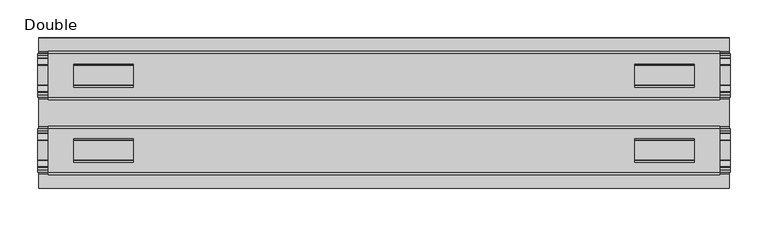
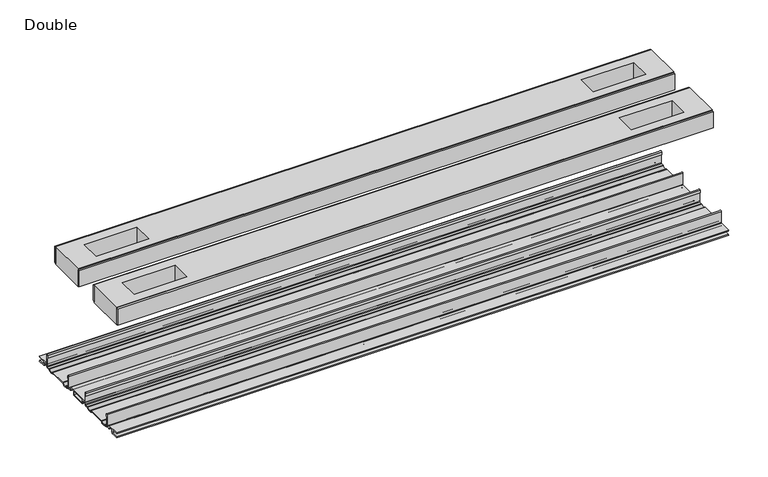
"""IFC4 building model written with IfcOpenShell, lengths in millimetres: proxy geometry, Double."""

from ifc_helpers import new_model, si_unit, point, frame, frame_2d, origin, place, context, project, spatial, polyline, circle_curve, trimmed, segment, composite_curve, outline, extrude, source, transform, mapped, element, save


def double_11da3520(model_context):
    return source(origin(), model_context, "Body", "SweptSolid", [
        extrude(outline(composite_curve([segment(polyline([(-78.8225461, -7.7516037), (-78.8225461, 9.8607558)]), True, "CONTINUOUS"), segment(trimmed(circle_curve(frame_2d((-77.6033482, 9.8607558)), 1.2191979), [point((-78.8225461, 9.8607558))], [point((-76.3841503, 9.8607558))], False, "CARTESIAN"), True, "CONTINUOUS"), segment(polyline([(-76.3841503, 9.8607558), (-76.3841503, 5.9999563), (-77.6643269, 5.9999563), (-77.6643269, -7.7516037)]), True, "CONTINUOUS"), segment(trimmed(circle_curve(frame_2d((-76.6483061, -7.7516037)), 1.0160208), [point((-77.6643269, -7.7516037))], [point((-76.6548232, -8.7676036))], True, "CARTESIAN"), True, "CONTINUOUS"), segment(polyline([(-76.6548232, -8.7676036), (-72.7118726, -8.7676036), (-71.7985108, -8.968753)]), True, "CONTINUOUS"), segment(trimmed(circle_curve(frame_2d((-67.7735521, -6.1259382)), 4.9276657), [point((-71.7985108, -8.968753))], [point((-63.7485934, -8.968753))], True, "CARTESIAN"), True, "CONTINUOUS"), segment(polyline([(-63.7485934, -8.968753), (-62.8352226, -8.7676036), (-36.7962778, -8.7676036), (-35.8829069, -8.968753)]), True, "CONTINUOUS"), segment(trimmed(circle_curve(frame_2d((-31.8579482, -6.1259382)), 4.9276657), [point((-35.8829069, -8.968753))], [point((-27.8329895, -8.968753))], True, "CARTESIAN"), True, "CONTINUOUS"), segment(polyline([(-27.8329895, -8.968753), (-26.9196277, -8.7676036), (-22.9766772, -8.7676036)]), True, "CONTINUOUS"), segment(trimmed(circle_curve(frame_2d((-22.9831943, -7.7516037)), 1.0160208), [point((-22.9766772, -8.7676036))], [point((-21.9671735, -7.7516037))], True, "CARTESIAN"), True, "CONTINUOUS"), segment(polyline([(-21.9671735, -7.7516037), (-21.9671735, 5.9999563), (-23.2473501, 5.9999563), (-23.2473501, 9.8607558)]), True, "CONTINUOUS"), segment(trimmed(circle_curve(frame_2d((-22.0281522, 9.8607558)), 1.2191979), [point((-23.2473501, 9.8607558))], [point((-20.8089542, 9.8607558))], False, "CARTESIAN"), True, "CONTINUOUS"), segment(polyline([(-20.8089542, 9.8607558), (-20.8089542, -7.7516037)]), True, "CONTINUOUS"), segment(trimmed(circle_curve(frame_2d((-22.9831943, -7.7516037)), 2.17424), [point((-20.8089542, -7.7516037))], [point((-22.9831943, -9.9258438))], False, "CARTESIAN"), True, "CONTINUOUS"), segment(polyline([(-22.9831943, -9.9258438), (-27.274181, -9.9258438)]), True, "CONTINUOUS"), segment(trimmed(circle_curve(frame_2d((-31.8545955, -6.4800016)), 5.7318431), [point((-27.274181, -9.9258438))], [point((-36.43501, -9.9258438))], False, "CARTESIAN"), True, "CONTINUOUS"), segment(polyline([(-36.43501, -9.9258438), (-63.1964904, -9.9258438)]), True, "CONTINUOUS"), segment(trimmed(circle_curve(frame_2d((-67.7769049, -6.4800016)), 5.7318431), [point((-63.1964904, -9.9258438))], [point((-72.3573194, -9.9258438))], False, "CARTESIAN"), True, "CONTINUOUS"), segment(polyline([(-72.3573194, -9.9258438), (-76.6483061, -9.9258438)]), True, "CONTINUOUS"), segment(trimmed(circle_curve(frame_2d((-76.6483061, -7.7516037)), 2.17424), [point((-76.6483061, -9.9258438))], [point((-78.8225461, -7.7516037))], False, "CARTESIAN"), True, "CONTINUOUS")], self_intersect=False)), frame((-461.6704, 0.0, 0.0), z_axis=(1.0, 0.0, 0.0), x_axis=(0.0, 1.0, 0.0)), (0.0, 0.0, 1.0), 923.3408),
        extrude(outline(composite_curve([segment(trimmed(circle_curve(frame_2d((77.0293057, -7.7516037)), 2.17424), [point((79.2035458, -7.7516037))], [point((77.0293057, -9.9258438))], False, "CARTESIAN"), True, "CONTINUOUS"), segment(polyline([(77.0293057, -9.9258438), (72.738319, -9.9258438)]), True, "CONTINUOUS"), segment(trimmed(circle_curve(frame_2d((68.1579045, -6.4800016)), 5.7318431), [point((72.738319, -9.9258438))], [point((63.57749, -9.9258438))], False, "CARTESIAN"), True, "CONTINUOUS"), segment(polyline([(63.57749, -9.9258438), (36.8160096, -9.9258438)]), True, "CONTINUOUS"), segment(trimmed(circle_curve(frame_2d((32.2355951, -6.4800016)), 5.7318431), [point((36.8160096, -9.9258438))], [point((27.6551806, -9.9258438))], False, "CARTESIAN"), True, "CONTINUOUS"), segment(polyline([(27.6551806, -9.9258438), (23.3641939, -9.9258438)]), True, "CONTINUOUS"), segment(trimmed(circle_curve(frame_2d((23.3641939, -7.7516037)), 2.17424), [point((23.3641939, -9.9258438))], [point((21.1899539, -7.7516037))], False, "CARTESIAN"), True, "CONTINUOUS"), segment(polyline([(21.1899539, -7.7516037), (21.1899539, 9.8607558)]), True, "CONTINUOUS"), segment(trimmed(circle_curve(frame_2d((22.4091518, 9.8607558)), 1.2191979), [point((21.1899539, 9.8607558))], [point((23.6283497, 9.8607558))], False, "CARTESIAN"), True, "CONTINUOUS"), segment(polyline([(23.6283497, 9.8607558), (23.6283497, 5.9999563), (22.3481731, 5.9999563), (22.3481731, -7.7516037)]), True, "CONTINUOUS"), segment(trimmed(circle_curve(frame_2d((23.3641939, -7.7516037)), 1.0160208), [point((22.3481731, -7.7516037))], [point((23.3576768, -8.7676036))], True, "CARTESIAN"), True, "CONTINUOUS"), segment(polyline([(23.3576768, -8.7676036), (27.3006274, -8.7676036), (28.2139892, -8.968753)]), True, "CONTINUOUS"), segment(trimmed(circle_curve(frame_2d((32.2389479, -6.1259382)), 4.9276657), [point((28.2139892, -8.968753))], [point((36.2639066, -8.968753))], True, "CARTESIAN"), True, "CONTINUOUS"), segment(polyline([(36.2639066, -8.968753), (37.1772774, -8.7676036), (63.2162222, -8.7676036), (64.1295931, -8.968753)]), True, "CONTINUOUS"), segment(trimmed(circle_curve(frame_2d((68.1545518, -6.1259382)), 4.9276657), [point((64.1295931, -8.968753))], [point((72.1795105, -8.968753))], True, "CARTESIAN"), True, "CONTINUOUS"), segment(polyline([(72.1795105, -8.968753), (73.0928723, -8.7676036), (77.0358228, -8.7676036)]), True, "CONTINUOUS"), segment(trimmed(circle_curve(frame_2d((77.0293057, -7.7516037)), 1.0160208), [point((77.0358228, -8.7676036))], [point((78.0453265, -7.7516037))], True, "CARTESIAN"), True, "CONTINUOUS"), segment(polyline([(78.0453265, -7.7516037), (78.0453265, 5.9999563), (76.7651499, 5.9999563), (76.7651499, 9.8607558)]), True, "CONTINUOUS"), segment(trimmed(circle_curve(frame_2d((77.9843478, 9.8607558)), 1.2191979), [point((76.7651499, 9.8607558))], [point((79.2035458, 9.8607558))], False, "CARTESIAN"), True, "CONTINUOUS"), segment(polyline([(79.2035458, 9.8607558), (79.2035458, -7.7516037)]), True, "CONTINUOUS")], self_intersect=False)), frame((-461.6704, 0.0, 0.0), z_axis=(1.0, 0.0, 0.0), x_axis=(0.0, 1.0, 0.0)), (0.0, 0.0, 1.0), 923.3408),
        extrude(outline(polyline([(447.6115091, -78.8225461), (447.6115091, -81.9975522), (-447.6115091, -81.9975522), (-447.6115091, -78.8225461), (447.6115091, -78.8225461)])), frame((0.0, 0.0, 149.8401622), z_axis=(0.0, 0.0, 1.0), x_axis=(1.0, 0.0, 0.0)), (0.0, 0.0, 1.0), 25.3999939),
        extrude(outline(polyline([(447.6115091, -17.6339482), (447.6115091, -20.8089542), (-447.6115091, -20.8089542), (-447.6115091, -17.6339482), (447.6115091, -17.6339482)])), frame((0.0, 0.0, 149.8401622), z_axis=(0.0, 0.0, 1.0), x_axis=(1.0, 0.0, 0.0)), (0.0, 0.0, 1.0), 25.3999939),
        extrude(outline(polyline([(447.6115091, 21.1899493), (447.6115091, 18.0149501), (-447.6115091, 18.0149501), (-447.6115091, 21.1899493), (447.6115091, 21.1899493)])), frame((0.0, 0.0, 149.8401622), z_axis=(0.0, 0.0, 1.0), x_axis=(1.0, 0.0, 0.0)), (0.0, 0.0, 1.0), 25.3999939),
        extrude(outline(polyline([(447.6115091, 82.3785496), (447.6115091, 79.2035503), (-447.6115091, 79.2035503), (-447.6115091, 82.3785496), (447.6115091, 82.3785496)])), frame((0.0, 0.0, 149.8401622), z_axis=(0.0, 0.0, 1.0), x_axis=(1.0, 0.0, 0.0)), (0.0, 0.0, 1.0), 25.3999939),
        extrude(outline(polyline([(447.6115091, 79.2035503), (447.6115091, 21.1899493), (-447.6115091, 21.1899493), (-447.6115091, 79.2035503), (447.6115091, 79.2035503)]), holes=[polyline([(413.1944965, 65.3097536), (334.1496847, 65.3097536), (334.1496847, 34.3217468), (413.1944965, 34.3217468), (413.1944965, 65.3097536)]), polyline([(-413.1944965, 65.3097536), (-413.1944965, 34.3217468), (-334.1496847, 34.3217468), (-334.1496847, 65.3097536), (-413.1944965, 65.3097536)])]), frame((0.0, 0.0, 148.4185847), z_axis=(0.0, 0.0, 1.0), x_axis=(1.0, 0.0, 0.0)), (0.0, 0.0, 1.0), 27.9999988),
        extrude(outline(polyline([(447.6115091, -78.8225461), (-447.6115091, -78.8225461), (-447.6115091, -20.8224524), (447.6115091, -20.8224524), (447.6115091, -78.8225461)]), holes=[polyline([(413.1944965, -65.3097536), (413.1944965, -34.3217468), (334.1496847, -34.3217468), (334.1496847, -65.3097536), (413.1944965, -65.3097536)]), polyline([(-413.1944965, -65.3097536), (-334.1496847, -65.3097536), (-334.1496847, -34.3217468), (-413.1944965, -34.3217468), (-413.1944965, -65.3097536)])]), frame((0.0, 0.0, 148.4185847), z_axis=(0.0, 0.0, 1.0), x_axis=(1.0, 0.0, 0.0)), (0.0, 0.0, 1.0), 27.9999988),
        extrude(outline(composite_curve([segment(polyline([(-100.2730922, -13.9898438), (-100.2302711, -12.3388438), (-89.7890007, -12.3388438), (-89.7890007, -7.766844), (-100.2302711, -7.766844), (-100.2730922, -6.1158439), (-81.1847475, -6.1158439)]), True, "CONTINUOUS"), segment(trimmed(circle_curve(frame_2d((-81.1847475, -7.6398436)), 1.5239997), [point((-81.1847475, -6.1158439))], [point((-79.6607478, -7.6398436))], False, "CARTESIAN"), True, "CONTINUOUS"), segment(polyline([(-79.6607478, -7.6398436), (-79.6607478, -9.9258438), (-73.1120844, -9.9258438)]), True, "CONTINUOUS"), segment(trimmed(circle_curve(frame_2d((-67.7735521, -5.2268471)), 7.1119966), [point((-73.1120844, -9.9258438))], [point((-62.4350199, -9.9258438))], True, "CARTESIAN"), True, "CONTINUOUS"), segment(polyline([(-62.4350199, -9.9258438), (-37.1964805, -9.9258438)]), True, "CONTINUOUS"), segment(trimmed(circle_curve(frame_2d((-31.8579482, -5.2268471)), 7.1119966), [point((-37.1964805, -9.9258438))], [point((-26.519416, -9.9258438))], True, "CARTESIAN"), True, "CONTINUOUS"), segment(polyline([(-26.519416, -9.9258438), (-19.9707525, -9.9258438), (-19.9707525, -7.7656583)]), True, "CONTINUOUS"), segment(trimmed(circle_curve(frame_2d((-18.3197518, -7.7656583)), 1.6510007), [point((-19.9707525, -7.7656583))], [point((-18.3823282, -6.1158439))], False, "CARTESIAN"), True, "CONTINUOUS"), segment(polyline([(-18.3823282, -6.1158439), (18.7633278, -6.1158439)]), True, "CONTINUOUS"), segment(trimmed(circle_curve(frame_2d((18.7007515, -7.7656583)), 1.6510007), [point((18.7633278, -6.1158439))], [point((20.3517522, -7.7656583))], False, "CARTESIAN"), True, "CONTINUOUS"), segment(polyline([(20.3517522, -7.7656583), (20.3517522, -9.9258438), (26.9004156, -9.9258438)]), True, "CONTINUOUS"), segment(trimmed(circle_curve(frame_2d((32.2389479, -5.2268471)), 7.1119966), [point((26.9004156, -9.9258438))], [point((37.5774801, -9.9258438))], True, "CARTESIAN"), True, "CONTINUOUS"), segment(polyline([(37.5774801, -9.9258438), (62.8160195, -9.9258438)]), True, "CONTINUOUS"), segment(trimmed(circle_curve(frame_2d((68.1545518, -5.2268471)), 7.1119966), [point((62.8160195, -9.9258438))], [point((73.493084, -9.9258438))], True, "CARTESIAN"), True, "CONTINUOUS"), segment(polyline([(73.493084, -9.9258438), (80.0417475, -9.9258438), (80.0417475, -7.7656583)]), True, "CONTINUOUS"), segment(trimmed(circle_curve(frame_2d((81.6927482, -7.7656583)), 1.6510007), [point((80.0417475, -7.7656583))], [point((81.6301718, -6.1158439))], False, "CARTESIAN"), True, "CONTINUOUS"), segment(polyline([(81.6301718, -6.1158439), (100.6540918, -6.1158439), (100.6112708, -7.766844), (90.1700003, -7.766844), (90.1700003, -12.3388438), (100.6112708, -12.3388438), (100.6540918, -13.9898438), (90.0430018, -13.9898438)]), True, "CONTINUOUS"), segment(trimmed(circle_curve(frame_2d((90.0430018, -12.4658438)), 1.524), [point((90.0430018, -13.9898438))], [point((88.5190019, -12.4658438))], False, "CARTESIAN"), True, "CONTINUOUS"), segment(polyline([(88.5190019, -12.4658438), (88.5190019, -7.766844), (81.692747, -7.766844), (81.692747, -10.0528438)]), True, "CONTINUOUS"), segment(trimmed(circle_curve(frame_2d((80.1687471, -10.0528438)), 1.524), [point((81.692747, -10.0528438))], [point((80.1687471, -11.5768438))], False, "CARTESIAN"), True, "CONTINUOUS"), segment(polyline([(80.1687471, -11.5768438), (73.6626049, -11.5768438)]), True, "CONTINUOUS"), segment(trimmed(circle_curve(frame_2d((68.1545518, -6.4968436)), 7.4930002), [point((73.6626049, -11.5768438))], [point((62.8967468, -11.8354331))], False, "CARTESIAN"), True, "CONTINUOUS"), segment(polyline([(62.8967468, -11.8354331), (37.4967528, -11.8354331)]), True, "CONTINUOUS"), segment(trimmed(circle_curve(frame_2d((32.2389479, -6.4968436)), 7.4930002), [point((37.4967528, -11.8354331))], [point((26.7308947, -11.5768438))], False, "CARTESIAN"), True, "CONTINUOUS"), segment(polyline([(26.7308947, -11.5768438), (20.2247526, -11.5768438)]), True, "CONTINUOUS"), segment(trimmed(circle_curve(frame_2d((20.2247526, -10.0528438)), 1.524), [point((20.2247526, -11.5768438))], [point((18.7007526, -10.0528438))], False, "CARTESIAN"), True, "CONTINUOUS"), segment(polyline([(18.7007526, -10.0528438), (18.7007526, -7.766844), (11.8744978, -7.766844), (11.8744978, -12.4658438)]), True, "CONTINUOUS"), segment(trimmed(circle_curve(frame_2d((10.3504978, -12.4658438)), 1.524), [point((11.8744978, -12.4658438))], [point((10.3504978, -13.9898438))], False, "CARTESIAN"), True, "CONTINUOUS"), segment(polyline([(10.3504978, -13.9898438), (-9.9694982, -13.9898438)]), True, "CONTINUOUS"), segment(trimmed(circle_curve(frame_2d((-9.9694982, -12.4658438)), 1.524), [point((-9.9694982, -13.9898438))], [point((-11.4934981, -12.4658438))], False, "CARTESIAN"), True, "CONTINUOUS"), segment(polyline([(-11.4934981, -12.4658438), (-11.4934981, -7.766844), (-18.319753, -7.766844), (-18.319753, -10.0528438)]), True, "CONTINUOUS"), segment(trimmed(circle_curve(frame_2d((-19.8437529, -10.0528438)), 1.524), [point((-18.319753, -10.0528438))], [point((-19.8437529, -11.5768438))], False, "CARTESIAN"), True, "CONTINUOUS"), segment(polyline([(-19.8437529, -11.5768438), (-26.3498951, -11.5768438)]), True, "CONTINUOUS"), segment(trimmed(circle_curve(frame_2d((-31.8579482, -6.4968436)), 7.4930002), [point((-26.3498951, -11.5768438))], [point((-37.1157532, -11.8354331))], False, "CARTESIAN"), True, "CONTINUOUS"), segment(polyline([(-37.1157532, -11.8354331), (-62.5157472, -11.8354331)]), True, "CONTINUOUS"), segment(trimmed(circle_curve(frame_2d((-67.7735521, -6.4968436)), 7.4930002), [point((-62.5157472, -11.8354331))], [point((-73.2816053, -11.5768438))], False, "CARTESIAN"), True, "CONTINUOUS"), segment(polyline([(-73.2816053, -11.5768438), (-79.7877474, -11.5768438)]), True, "CONTINUOUS"), segment(trimmed(circle_curve(frame_2d((-79.7877474, -10.0528438)), 1.524), [point((-79.7877474, -11.5768438))], [point((-81.3117474, -10.0528438))], False, "CARTESIAN"), True, "CONTINUOUS"), segment(polyline([(-81.3117474, -10.0528438), (-81.3117474, -7.766844), (-88.1380022, -7.766844), (-88.1380022, -12.4658438)]), True, "CONTINUOUS"), segment(trimmed(circle_curve(frame_2d((-89.6620022, -12.4658438)), 1.524), [point((-88.1380022, -12.4658438))], [point((-89.6620022, -13.9898438))], False, "CARTESIAN"), True, "CONTINUOUS"), segment(polyline([(-89.6620022, -13.9898438), (-100.2730922, -13.9898438)]), True, "CONTINUOUS")], self_intersect=False), holes=[polyline([(-9.8424997, -12.3388438), (10.2234993, -12.3388438), (10.2234993, -7.766844), (-9.8424997, -7.766844), (-9.8424997, -12.3388438)])]), frame((-460.0194, 0.0, 0.0), z_axis=(1.0, 0.0, 0.0), x_axis=(0.0, 1.0, 0.0)), (0.0, 0.0, 1.0), 920.0388),
    ])


if __name__ == "__main__":
    model = new_model("IFC4")
    model_context = context("Model", 3, world=origin())
    ifc_project = project(units=[si_unit("LENGTHUNIT", "METRE", prefix="MILLI")], contexts=[model_context])
    site = spatial("IfcSite", under=ifc_project)
    building = spatial("IfcBuilding", under=site)
    placement = place(None, origin())
    double_shape = double_11da3520(model_context)
    element("IfcBuildingElementProxy", 1, Name="Double", ObjectType="Double", at=placement, inside=building, context=model_context, shape_type="MappedRepresentation", body=[
        mapped(double_shape, transform((0.0, 0.0, 0.0), x_axis=(1.0, 0.0, 0.0), y_axis=(0.0, 1.0, 0.0), z_axis=(0.0, 0.0, 1.0))),
    ])
    save(model, "model.ifc")
